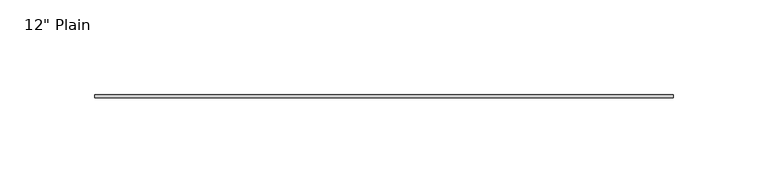
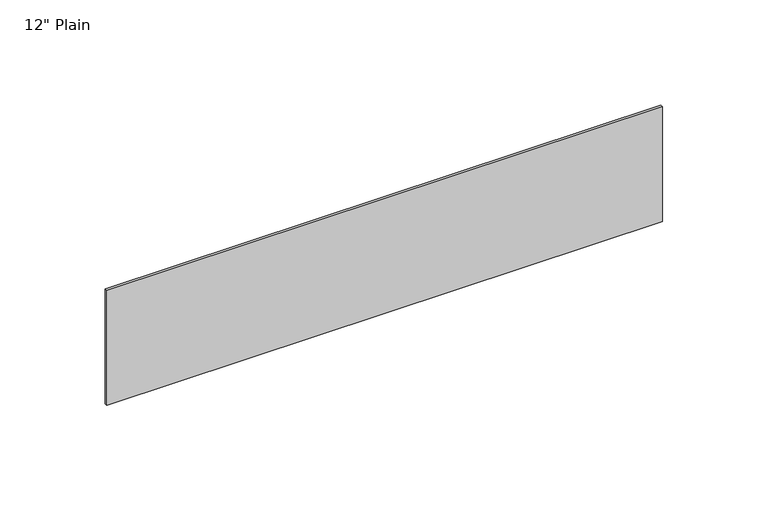
"""IFC4 building model written with IfcOpenShell, lengths in millimetres: furniture geometry."""

from ifc_helpers import new_model, si_unit, frame, origin, place, context, project, spatial, polyline, outline, extrude, source, transform, mapped, element, save


def furniture_eb84b0cc(model_context):
    return source(origin(), model_context, "Body", "SweptSolid", [
        extrude(outline(polyline([(171.1377049, -1.5875), (-133.6622951, -1.5875), (-133.6622951, 0.0), (171.1377049, 0.0), (171.1377049, -1.5875)])), frame((0.0, 0.0, 1127.125), z_axis=(0.0, 0.0, 1.0), x_axis=(1.0, 0.0, 0.0)), (0.0, 0.0, 1.0), 66.675),
    ])


if __name__ == "__main__":
    model = new_model("IFC4")
    model_context = context("Model", 3, world=origin())
    ifc_project = project(units=[si_unit("LENGTHUNIT", "METRE", prefix="MILLI")], contexts=[model_context])
    site = spatial("IfcSite", under=ifc_project)
    building = spatial("IfcBuilding", under=site)
    placement = place(None, origin())
    furniture_shape = furniture_eb84b0cc(model_context)
    element("IfcFurniture", 1, ObjectType="12\" Plain", at=placement, inside=building, context=model_context, shape_type="MappedRepresentation", body=[
        mapped(furniture_shape, transform((0.0, 0.0, 0.0), x_axis=(1.0, 0.0, 0.0), y_axis=(0.0, 1.0, 0.0), z_axis=(0.0, 0.0, 1.0))),
    ])
    save(model, "model.ifc")
